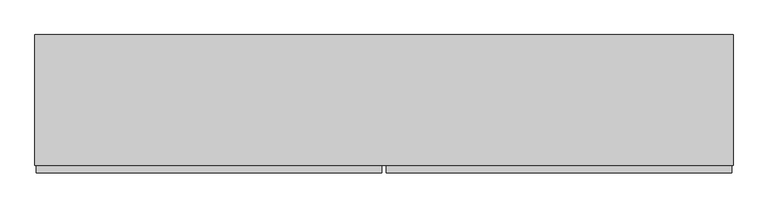
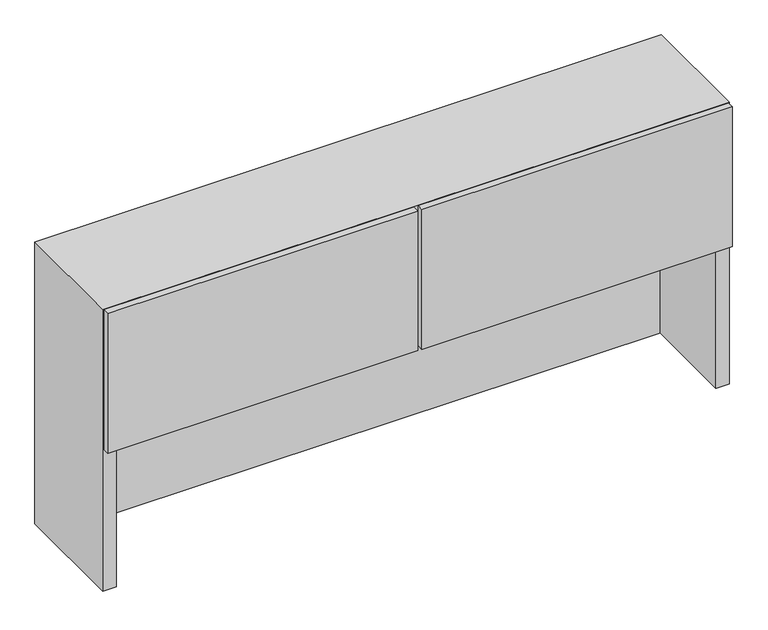
"""IFC4 building model written with IfcOpenShell, lengths in millimetres: furniture geometry."""

from ifc_helpers import new_model, si_unit, frame, origin, place, context, project, spatial, polyline, outline, extrude, faceted_brep, source, transform, mapped, element, save


def furniture_a6e03f3d(model_context):
    return source(origin(), model_context, "Body", "SolidModel", [
        extrude(outline(polyline([(1228.725, -361.95), (323.85, -361.95), (323.85, -342.9), (1228.725, -342.9), (1228.725, -361.95)])), frame((0.0, 0.0, 1173.1625), z_axis=(0.0, 0.0, 1.0), x_axis=(1.0, 0.0, 0.0)), (0.0, 0.0, 1.0), 431.8),
        extrude(outline(polyline([(311.15, -361.95), (-593.725, -361.95), (-593.725, -342.9), (311.15, -342.9), (311.15, -361.95)])), frame((0.0, 0.0, 1173.1625), z_axis=(0.0, 0.0, 1.0), x_axis=(1.0, 0.0, 0.0)), (0.0, 0.0, 1.0), 431.8),
        extrude(outline(polyline([(-317.5, 1201.7158998), (-317.5, 1174.75), (-338.1375, 1174.75), (-338.1375, 1554.1625), (-331.7875, 1554.1625), (-331.7875, 1201.7158998), (-317.5, 1201.7158998)])), frame((298.45, 0.0, 0.0), z_axis=(1.0, 0.0, 0.0), x_axis=(0.0, 1.0, 0.0)), (0.0, 0.0, 1.0), 38.1),
        faceted_brep([(-596.9, 0.0, 1606.55), (-596.9, -342.9, 1606.55), (1231.9, -342.9, 1606.55), (1231.9, 0.0, 1606.55), (-558.00625, -342.9, 736.6), (-596.9, -342.9, 736.6), (-596.9, 0.0, 736.6), (1231.9, 0.0, 736.6), (1231.9, -342.9, 736.6), (1193.00625, -342.9, 736.6), (1193.00625, -60.325, 736.6), (-558.00625, -60.325, 736.6), (-558.00625, -342.9, 1554.1625), (1193.00625, -342.9, 1554.1625), (-558.00625, -60.325, 1174.75), (-558.00625, -31.75, 1174.75), (-558.00625, -31.75, 1554.1625), (1193.00625, -31.75, 1174.75), (1193.00625, -31.75, 1554.1625), (1193.00625, -60.325, 1174.75)], [[[0, 1, 2, 3]], [[4, 5, 6, 7, 8, 9, 10, 11]], [[6, 0, 3, 7]], [[1, 0, 6, 5]], [[2, 1, 5, 4, 12, 13, 9, 8]], [[4, 11, 14, 15, 16, 12]], [[15, 17, 18, 16]], [[10, 9, 13, 18, 17, 19]], [[3, 2, 8, 7]], [[13, 12, 16, 18]], [[17, 15, 14, 19]], [[11, 10, 19, 14]]]),
        extrude(outline(polyline([(-331.7875, 1223.9625), (-36.5125, 1223.9625), (-36.5125, 1174.75), (-53.975, 1174.75), (-53.975, 1219.2), (-298.45, 1219.2), (-298.45, 1174.75), (-317.5, 1174.75), (-317.5, 1166.8125), (-331.7875, 1166.8125), (-331.7875, 1223.9625)])), frame((-558.00625, 0.0, 0.0), z_axis=(1.0, 0.0, 0.0), x_axis=(0.0, 1.0, 0.0)), (0.0, 0.0, 1.0), 1751.0125),
    ])


if __name__ == "__main__":
    model = new_model("IFC4")
    model_context = context("Model", 3, world=origin())
    ifc_project = project(units=[si_unit("LENGTHUNIT", "METRE", prefix="MILLI")], contexts=[model_context])
    site = spatial("IfcSite", under=ifc_project)
    building = spatial("IfcBuilding", under=site)
    placement = place(None, origin())
    furniture_shape = furniture_a6e03f3d(model_context)
    element("IfcFurniture", 1, at=placement, inside=building, context=model_context, shape_type="MappedRepresentation", body=[
        mapped(furniture_shape, transform((0.0, 0.0, 0.0), x_axis=(1.0, 0.0, 0.0), y_axis=(0.0, 1.0, 0.0), z_axis=(0.0, 0.0, 1.0))),
    ])
    save(model, "model.ifc")
